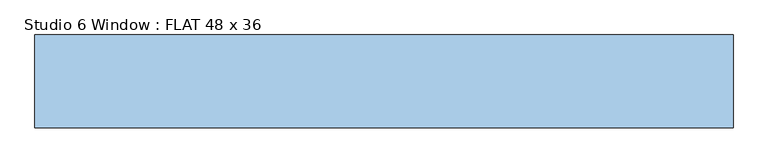
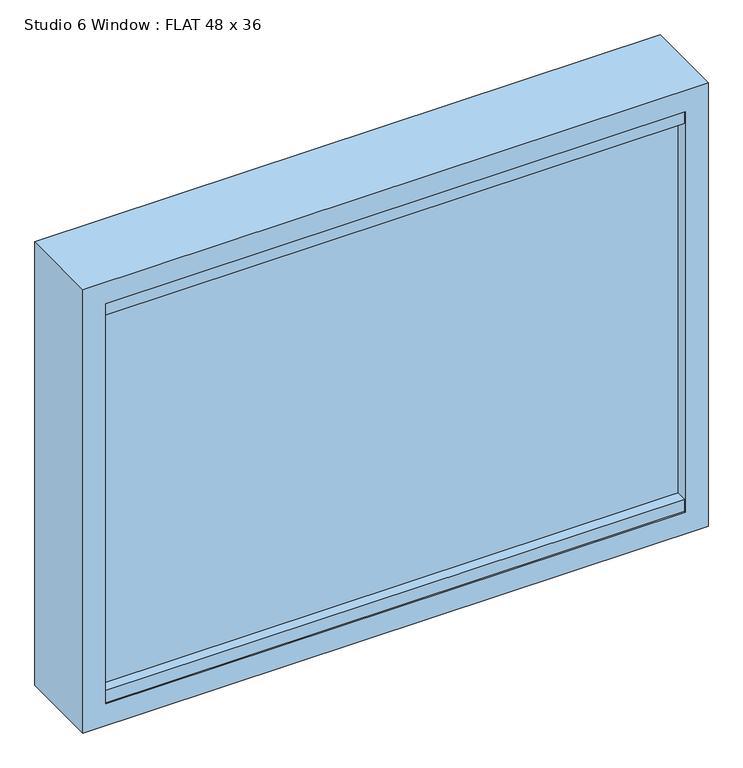
"""IFC4 building model written with IfcOpenShell, lengths in millimetres: window geometry, Studio 6 Window : FLAT 48 x 36."""

from ifc_helpers import new_model, si_unit, frame, origin, place, context, project, spatial, polyline, outline, extrude, source, transform, mapped, element, save


def studio_6_window_flat_48_x_36_3243ef07(model_context):
    return source(origin(), model_context, "Body", "SweptSolid", [
        extrude(outline(polyline([(1714.4, -609.6), (800.0, -609.6), (800.0, 609.6), (1714.4, 609.6), (1714.4, -609.6)]), holes=[polyline([(1669.95, -565.15), (1669.95, 565.15), (844.45, 565.15), (844.45, -565.15), (1669.95, -565.15)])]), frame((0.0, -60.325, 0.0), z_axis=(0.0, 1.0, 0.0), x_axis=(0.0, 0.0, 1.0)), (0.0, 0.0, 1.0), 161.925),
        extrude(outline(polyline([(565.15, -57.8905282), (-565.15, -57.8905282), (-565.15, 98.0603957), (565.15, 98.0603957), (565.15, -57.8905282)])), frame((0.0, 0.0, 1644.55), z_axis=(0.0, 0.0, 1.0), x_axis=(1.0, 0.0, 0.0)), (0.0, 0.0, 1.0), 25.4),
        extrude(outline(polyline([(565.15, -57.8905282), (-565.15, -57.8905282), (-565.15, 99.1655282), (565.15, 99.1655282), (565.15, -57.8905282)])), frame((0.0, 0.0, 844.45), z_axis=(0.0, 0.0, 1.0), x_axis=(1.0, 0.0, 0.0)), (0.0, 0.0, 1.0), 25.4),
        extrude(outline(polyline([(565.15, -37.0108841), (-565.15, -37.0108841), (-565.15, -28.6152456), (565.15, -28.6152456), (565.15, -37.0108841)])), frame((0.0, 0.0, 863.5), z_axis=(0.0, 0.0, 1.0), x_axis=(1.0, 0.0, 0.0)), (0.0, 0.0, 1.0), 787.428847),
        extrude(outline(polyline([(565.15, 68.346277), (-565.15, 68.346277), (-565.15, 91.2720048), (565.15, 91.2720048), (565.15, 68.346277)])), frame((0.0, 0.0, 863.5), z_axis=(0.0, 0.0, 1.0), x_axis=(1.0, 0.0, 0.0)), (0.0, 0.0, 1.0), 787.428847),
    ])


if __name__ == "__main__":
    model = new_model("IFC4")
    model_context = context("Model", 3, world=origin())
    ifc_project = project(units=[si_unit("LENGTHUNIT", "METRE", prefix="MILLI")], contexts=[model_context])
    site = spatial("IfcSite", under=ifc_project)
    building = spatial("IfcBuilding", under=site)
    placement = place(None, origin())
    studio_6_window_flat_48_x_36_shape = studio_6_window_flat_48_x_36_3243ef07(model_context)
    element("IfcWindow", 1, ObjectType="Studio 6 Window : FLAT 48 x 36", at=placement, inside=building, context=model_context, shape_type="MappedRepresentation", body=[
        mapped(studio_6_window_flat_48_x_36_shape, transform((0.0, 0.0, 0.0), x_axis=(1.0, 0.0, 0.0), y_axis=(0.0, 1.0, 0.0), z_axis=(0.0, 0.0, 1.0))),
    ])
    save(model, "model.ifc")
